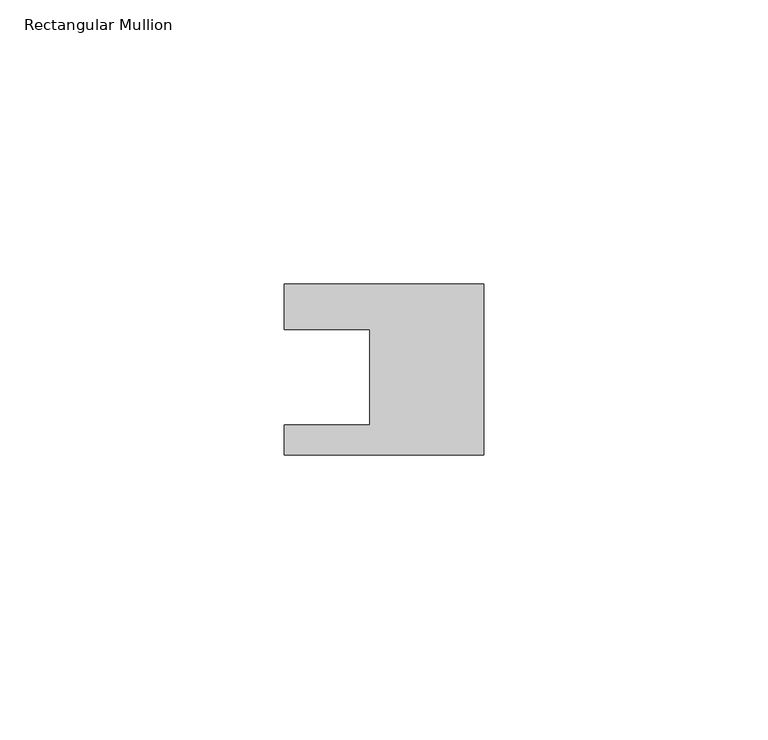
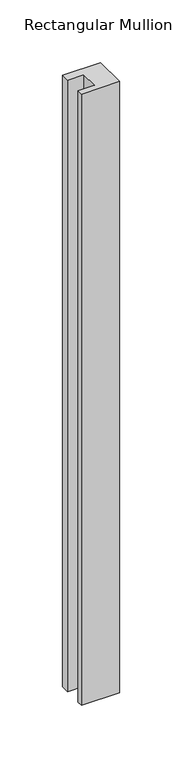
"""IFC4 building model written with IfcOpenShell, lengths in millimetres: member geometry, Rectangular Mullion."""

import ifcopenshell
import ifcopenshell.guid

model = None  # the IFC model being written
_history = None  # IfcOwnerHistory: only IFC2X3 demands one
_inside = {}  # id of a spatial element -> (the spatial element, [elements in it])
_under = {}  # id of a project, library or spatial element -> (it, [spatial elements below it])
_declared = {}  # id of a project -> (the project, [libraries it declares])
_typed = {}  # id of a type object -> (the type object, [elements of that type])
_made_of = {}  # id of a material, layer set ... -> (it, [elements and type objects made of it])


def new_model(schema):
    """Start an empty IFC model of exactly this schema.

    Asked for "IFC4X3", IfcOpenShell would pick the latest addendum, in which some entities
    have other attributes; the version numbers below select the first issue.
    IFC2X3 requires an IfcOwnerHistory on every rooted entity: one is made here for all.
    """
    global model, _history
    if schema == "IFC4X3":
        model = ifcopenshell.file(schema_version=(4, 3, 0, 0))
    else:
        model = ifcopenshell.file(schema=schema)
    _inside.clear()
    _under.clear()
    _declared.clear()
    _typed.clear()
    _made_of.clear()
    _history = None
    if model.schema == "IFC2X3":
        org = make("IfcOrganization", Name="unknown")
        user = make(
            "IfcPersonAndOrganization",
            ThePerson=make("IfcPerson", FamilyName="unknown"),
            TheOrganization=org,
        )
        app = make(
            "IfcApplication",
            ApplicationDeveloper=org,
            Version="unknown",
            ApplicationFullName="unknown",
            ApplicationIdentifier="unknown",
        )
        _history = make(
            "IfcOwnerHistory",
            OwningUser=user,
            OwningApplication=app,
            ChangeAction="ADDED",
            CreationDate=0,
        )
    return model


def make(cls, **values):
    """One entity of the class cls with the attributes given. An attribute that is None is left unset."""
    return model.create_entity(
        cls, **{name: value for name, value in values.items() if value is not None}
    )


def rooted(cls, **values):
    """An entity with a GlobalId (a new one), such as an element, a storey or a relation."""
    return make(cls, GlobalId=ifcopenshell.guid.new(), OwnerHistory=_history, **values)


def si_unit(unit_type, name, prefix=None):
    """IfcSIUnit, for example si_unit("LENGTHUNIT", "METRE", prefix="MILLI")."""
    return make("IfcSIUnit", UnitType=unit_type, Prefix=prefix, Name=name)


def assignment(units):
    """IfcUnitAssignment: the units of a project."""
    return None if units is None else make("IfcUnitAssignment", Units=units)


def point(xyz):
    """IfcCartesianPoint."""
    return None if xyz is None else make("IfcCartesianPoint", Coordinates=xyz)


def direction(xyz):
    """IfcDirection."""
    return None if xyz is None else make("IfcDirection", DirectionRatios=xyz)


def frame(location, z_axis=None, x_axis=None):
    """IfcAxis2Placement3D, a coordinate frame: its origin and axes. An axis left out is left unset."""
    return make(
        "IfcAxis2Placement3D",
        Location=point(location),
        Axis=direction(z_axis),
        RefDirection=direction(x_axis),
    )


def origin():
    """The frame at (0, 0, 0) with its axes left unset."""
    return frame((0.0, 0.0, 0.0))


def place(relative_to, where):
    """IfcLocalPlacement: puts the frame where relative to a parent placement (None: the world)."""
    return make(
        "IfcLocalPlacement", PlacementRelTo=relative_to, RelativePlacement=where
    )


def context(
    kind, dimensions, precision=None, world=None, true_north=None, identifier=None
):
    """IfcGeometricRepresentationContext, for example the 3D "Model" context."""
    return make(
        "IfcGeometricRepresentationContext",
        ContextIdentifier=identifier,
        ContextType=kind,
        CoordinateSpaceDimension=dimensions,
        Precision=precision,
        WorldCoordinateSystem=world,
        TrueNorth=true_north,
    )


def project(units=None, contexts=None):
    """IfcProject with its units and contexts."""
    return rooted(
        "IfcProject",
        Name="project",
        RepresentationContexts=contexts,
        UnitsInContext=assignment(units),
    )


def spatial(cls, under=None, at=None, **own):
    """A site, building, storey or space (cls), placed at a placement, below another one or the project."""
    s = rooted(cls, ObjectPlacement=at, **own)
    if under is not None:
        _under.setdefault(under.id(), (under, []))[1].append(s)
    return s


def polyline(points):
    """IfcPolyline through the points."""
    return make("IfcPolyline", Points=[point(p) for p in points])


def outline(outer, holes=None, kind="AREA"):
    """IfcArbitraryClosedProfileDef: a profile drawn as a closed curve; with holes, ...WithVoids."""
    if holes is None:
        return make("IfcArbitraryClosedProfileDef", ProfileType=kind, OuterCurve=outer)
    return make(
        "IfcArbitraryProfileDefWithVoids",
        ProfileType=kind,
        OuterCurve=outer,
        InnerCurves=holes,
    )


def extrude(swept, where, along, depth):
    """IfcExtrudedAreaSolid: the profile swept, set in the frame where, extruded along a direction by depth."""
    return make(
        "IfcExtrudedAreaSolid",
        SweptArea=swept,
        Position=where,
        ExtrudedDirection=direction(along),
        Depth=depth,
    )


def shape(context_of_items, identifier, shape_type, items):
    """IfcShapeRepresentation: the items that make up one representation, for example the "Body"."""
    return make(
        "IfcShapeRepresentation",
        ContextOfItems=context_of_items,
        RepresentationIdentifier=identifier,
        RepresentationType=shape_type,
        Items=items,
    )


def source(mapping_origin, context_of_items, identifier, shape_type, items):
    """IfcRepresentationMap: a shape defined once, which mapped items show again and again."""
    return make(
        "IfcRepresentationMap",
        MappingOrigin=mapping_origin,
        MappedRepresentation=shape(context_of_items, identifier, shape_type, items),
    )


def transform(
    local_origin,
    x_axis=None,
    y_axis=None,
    z_axis=None,
    scale=None,
    scale2=None,
    scale3=None,
    uniform=True,
):
    """IfcCartesianTransformationOperator3D, or its non-uniform kind. x_axis, y_axis, z_axis: its Axis1, 2, 3."""
    if uniform:
        return make(
            "IfcCartesianTransformationOperator3D",
            Axis1=direction(x_axis),
            Axis2=direction(y_axis),
            LocalOrigin=point(local_origin),
            Scale=scale,
            Axis3=direction(z_axis),
        )
    return make(
        "IfcCartesianTransformationOperator3DnonUniform",
        Axis1=direction(x_axis),
        Axis2=direction(y_axis),
        LocalOrigin=point(local_origin),
        Scale=scale,
        Axis3=direction(z_axis),
        Scale2=scale2,
        Scale3=scale3,
    )


def mapped(mapping_source, mapping_target):
    """IfcMappedItem: shows the shape of a source again, moved by a transform."""
    return make(
        "IfcMappedItem", MappingSource=mapping_source, MappingTarget=mapping_target
    )


def made_of(thing, what):
    """Note that an element or type object is made of a material, layer set ...; save() writes the relation."""
    if what is not None:
        _made_of.setdefault(what.id(), (what, []))[1].append(thing)
    return thing


def element(
    cls,
    number,
    at=None,
    inside=None,
    cuts=None,
    type_object=None,
    material=None,
    context=None,
    identifier="Body",
    shape_type=None,
    held_by="IfcProductDefinitionShape",
    body=None,
    shapes=None,
    **own,
):
    """One element of the class cls, such as IfcWall. Its Tag is "e" and its number.

    at: its placement. inside: the storey or other place that contains it. cuts: it is an
    opening in that element (IfcRelVoidsElement). A single representation is given by context,
    identifier, shape_type and body (its items); several are given by shapes. held_by: the class
    of the entity that holds the representations. save() writes the other relations.
    """
    e = rooted(cls, Tag="e%d" % number, ObjectPlacement=at, **own)
    if body is not None:
        shapes = [shape(context, identifier, shape_type, body)]
    if shapes is not None:
        e.Representation = make(held_by, Representations=shapes)
    if inside is not None:
        _inside.setdefault(inside.id(), (inside, []))[1].append(e)
    if cuts is not None:
        rooted(
            "IfcRelVoidsElement", RelatingBuildingElement=cuts, RelatedOpeningElement=e
        )
    if type_object is not None:
        _typed.setdefault(type_object.id(), (type_object, []))[1].append(e)
    return made_of(e, material)


def aggregate(whole, parts):
    """IfcRelAggregates: a whole, such as a stair, and the parts it consists of."""
    return rooted("IfcRelAggregates", RelatingObject=whole, RelatedObjects=parts)


def save(model, path):
    """Write the relations noted so far, then the file.

    IfcRelAggregates (storeys below a building ...), IfcRelContainedInSpatialStructure (elements
    in a storey), IfcRelDefinesByType, IfcRelAssociatesMaterial and IfcRelDeclares: one each for
    every whole, place, type object, material and project.
    """
    for whole, parts in _under.values():
        aggregate(whole, parts)
    for where, things in _inside.values():
        rooted(
            "IfcRelContainedInSpatialStructure",
            RelatedElements=things,
            RelatingStructure=where,
        )
    for kind, things in _typed.values():
        rooted("IfcRelDefinesByType", RelatedObjects=things, RelatingType=kind)
    for what, things in _made_of.values():
        rooted("IfcRelAssociatesMaterial", RelatedObjects=things, RelatingMaterial=what)
    for by, libraries in _declared.values():
        rooted("IfcRelDeclares", RelatingContext=by, RelatedDefinitions=libraries)
    model.write(path)


def rectangular_mullion_12343ec9(model_context):
    return source(origin(), model_context, "Body", "SweptSolid", [
        extrude(outline(polyline([(0.0, 7.94), (0.0, -22.06), (-35.0, -22.06), (-35.0, -16.8), (-20.0, -16.8), (-20.0, 0.001), (-35.0, 0.001), (-35.0, 7.94), (0.0, 7.94)])), frame((0.0, 0.0, -594.8963605), z_axis=(0.0, 0.0, 1.0), x_axis=(1.0, 0.0, 0.0)), (0.0, 0.0, 1.0), 594.8963605),
    ])


if __name__ == "__main__":
    model = new_model("IFC4")
    model_context = context("Model", 3, world=origin())
    ifc_project = project(units=[si_unit("LENGTHUNIT", "METRE", prefix="MILLI")], contexts=[model_context])
    site = spatial("IfcSite", under=ifc_project)
    building = spatial("IfcBuilding", under=site)
    placement = place(None, origin())
    rectangular_mullion_shape = rectangular_mullion_12343ec9(model_context)
    element("IfcMember", 1, ObjectType="Rectangular Mullion", at=placement, inside=building, context=model_context, shape_type="MappedRepresentation", body=[
        mapped(rectangular_mullion_shape, transform((0.0, 0.0, 0.0), x_axis=(1.0, 0.0, 0.0), y_axis=(0.0, 1.0, 0.0), z_axis=(0.0, 0.0, 1.0))),
    ])
    save(model, "model.ifc")
